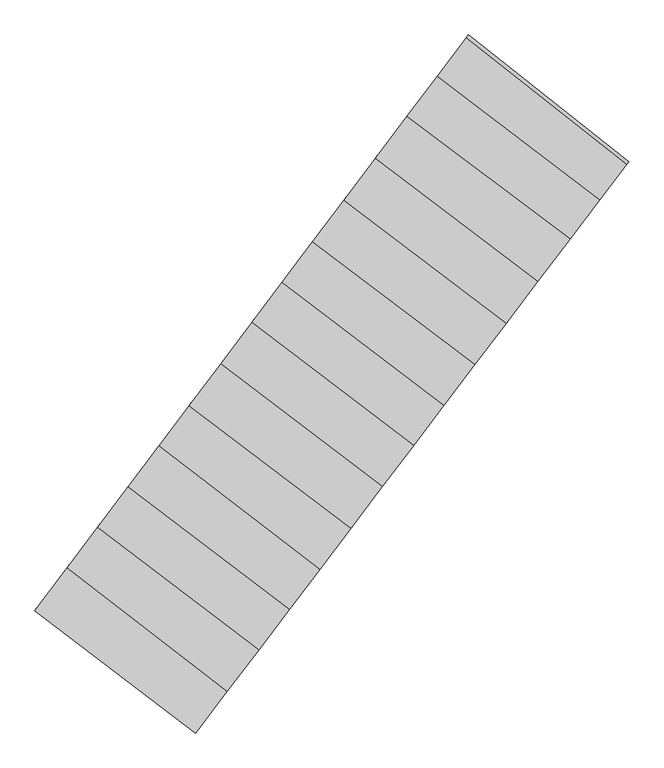
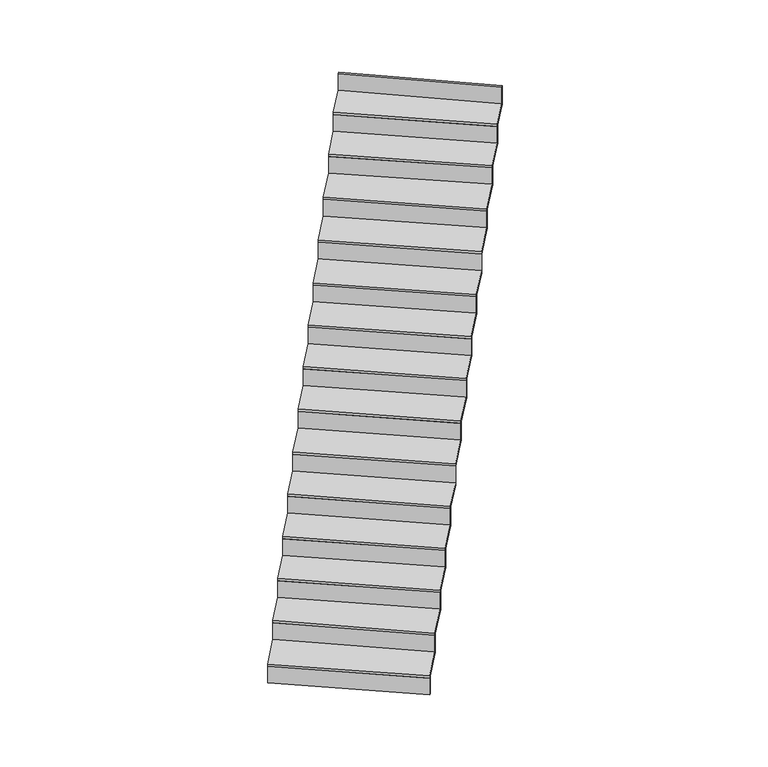
"""IFC4 building model written with IfcOpenShell, lengths in millimetres: stair flight geometry."""

from ifc_helpers import new_model, si_unit, frame, origin, place, context, project, spatial, polyline, outline, extrude, source, transform, mapped, element, save


def stair_flight_ab5ed9de(model_context):
    return source(origin(), model_context, "Body", "SweptSolid", [
        extrude(outline(polyline([(100072.588909, 16654.7585255), (100060.5027199, 16638.8235066), (99118.0756572, 17355.7144456), (99130.1120813, 17371.6873199), (100072.588909, 16654.7585255)])), frame((0.0, 0.0, -2416.5), z_axis=(0.0, 0.0, 1.0), x_axis=(1.0, 0.0, 0.0)), (0.0, 0.0, 1.0), 146.1864079),
        extrude(outline(polyline([(99308.2369278, 17608.066975), (100245.3138249, 16882.4874458), (100060.5027199, 16638.8235066), (99118.0756572, 17355.7144456), (99308.2369278, 17608.066975)])), frame((0.0, 0.0, -2270.3135921), z_axis=(0.0, 0.0, 1.0), x_axis=(1.0, 0.0, 0.0)), (0.0, 0.0, 1.0), 20.0),
        extrude(outline(polyline([(100257.4006033, 16898.4232417), (100245.3138249, 16882.4874458), (99308.2369278, 17608.066975), (99320.2742613, 17624.0410562), (100257.4006033, 16898.4232417)])), frame((0.0, 0.0, -2270.3135921), z_axis=(0.0, 0.0, 1.0), x_axis=(1.0, 0.0, 0.0)), (0.0, 0.0, 1.0), 166.1864079),
        extrude(outline(polyline([(99486.6968011, 17844.8912258), (100431.6563123, 17128.1704341), (100245.3138249, 16882.4874458), (99308.2369278, 17608.066975), (99486.6968011, 17844.8912258)])), frame((0.0, 0.0, -2104.1271841), z_axis=(0.0, 0.0, 1.0), x_axis=(1.0, 0.0, 0.0)), (0.0, 0.0, 1.0), 20.0),
        extrude(outline(polyline([(100443.7424894, 17144.1054372), (100431.6563123, 17128.1704341), (99486.6968011, 17844.8912258), (99498.7331604, 17860.864014), (100443.7424894, 17144.1054372)])), frame((0.0, 0.0, -2104.1271841), z_axis=(0.0, 0.0, 1.0), x_axis=(1.0, 0.0, 0.0)), (0.0, 0.0, 1.0), 166.1864079),
        extrude(outline(polyline([(99664.7957149, 18081.236467), (100610.4923676, 17363.9565777), (100431.6563123, 17128.1704341), (99486.6968011, 17844.8912258), (99664.7957149, 18081.236467)])), frame((0.0, 0.0, -1937.9407762), z_axis=(0.0, 0.0, 1.0), x_axis=(1.0, 0.0, 0.0)), (0.0, 0.0, 1.0), 20.0),
        extrude(outline(polyline([(100622.5785448, 17379.8915807), (100610.4923676, 17363.9565777), (99664.7957149, 18081.236467), (99676.8320741, 18097.2092553), (100622.5785448, 17379.8915807)])), frame((0.0, 0.0, -1937.9407762), z_axis=(0.0, 0.0, 1.0), x_axis=(1.0, 0.0, 0.0)), (0.0, 0.0, 1.0), 166.1864079),
        extrude(outline(polyline([(99846.0055109, 18321.7099884), (100789.2044471, 17599.5792654), (100610.4923676, 17363.9565777), (99664.7957149, 18081.236467), (99846.0055109, 18321.7099884)])), frame((0.0, 0.0, -1771.7543683), z_axis=(0.0, 0.0, 1.0), x_axis=(1.0, 0.0, 0.0)), (0.0, 0.0, 1.0), 20.0),
        extrude(outline(polyline([(100801.2907479, 17615.5144315), (100789.2044471, 17599.5792654), (99846.0055109, 18321.7099884), (99858.0421636, 18337.6831661), (100801.2907479, 17615.5144315)])), frame((0.0, 0.0, -1771.7543683), z_axis=(0.0, 0.0, 1.0), x_axis=(1.0, 0.0, 0.0)), (0.0, 0.0, 1.0), 166.1864079),
        extrude(outline(polyline([(100023.3207531, 18557.0152624), (100970.5013212, 17838.6098719), (100789.2044471, 17599.5792654), (99846.0055109, 18321.7099884), (100023.3207531, 18557.0152624)])), frame((0.0, 0.0, -1605.5679604), z_axis=(0.0, 0.0, 1.0), x_axis=(1.0, 0.0, 0.0)), (0.0, 0.0, 1.0), 20.0),
        extrude(outline(polyline([(100982.5874983, 17854.544875), (100970.5013212, 17838.6098719), (100023.3207531, 18557.0152624), (100035.3571123, 18572.9880506), (100982.5874983, 17854.544875)])), frame((0.0, 0.0, -1605.5679604), z_axis=(0.0, 0.0, 1.0), x_axis=(1.0, 0.0, 0.0)), (0.0, 0.0, 1.0), 166.1864079),
        extrude(outline(polyline([(100208.690135, 18803.0087407), (101156.6379368, 18084.0214287), (100970.5013212, 17838.6098719), (100023.3207531, 18557.0152624), (100208.690135, 18803.0087407)])), frame((0.0, 0.0, -1439.3815524), z_axis=(0.0, 0.0, 1.0), x_axis=(1.0, 0.0, 0.0)), (0.0, 0.0, 1.0), 20.0),
        extrude(outline(polyline([(101168.7241139, 18099.9564317), (101156.6379368, 18084.0214287), (100208.690135, 18803.0087407), (100220.7264942, 18818.981529), (101168.7241139, 18099.9564317)])), frame((0.0, 0.0, -1439.3815524), z_axis=(0.0, 0.0, 1.0), x_axis=(1.0, 0.0, 0.0)), (0.0, 0.0, 1.0), 166.1864079),
        extrude(outline(polyline([(100391.5686383, 19045.6967115), (101340.2733641, 18326.1352974), (101156.6379368, 18084.0214287), (100208.690135, 18803.0087407), (100391.5686383, 19045.6967115)])), frame((0.0, 0.0, -1273.1951445), z_axis=(0.0, 0.0, 1.0), x_axis=(1.0, 0.0, 0.0)), (0.0, 0.0, 1.0), 20.0),
        extrude(outline(polyline([(101352.3595412, 18342.0703005), (101340.2733641, 18326.1352974), (100391.5686383, 19045.6967115), (100403.6049976, 19061.6694998), (101352.3595412, 18342.0703005)])), frame((0.0, 0.0, -1273.1951445), z_axis=(0.0, 0.0, 1.0), x_axis=(1.0, 0.0, 0.0)), (0.0, 0.0, 1.0), 166.1864079),
        extrude(outline(polyline([(100567.3794172, 19279.0054953), (101516.8118142, 18558.8921666), (101340.2733641, 18326.1352974), (100391.5686383, 19045.6967115), (100567.3794172, 19279.0054953)])), frame((0.0, 0.0, -1107.0087366), z_axis=(0.0, 0.0, 1.0), x_axis=(1.0, 0.0, 0.0)), (0.0, 0.0, 1.0), 20.0),
        extrude(outline(polyline([(101528.8979913, 18574.8271696), (101516.8118142, 18558.8921666), (100567.3794172, 19279.0054953), (100579.4157765, 19294.9782836), (101528.8979913, 18574.8271696)])), frame((0.0, 0.0, -1107.0087366), z_axis=(0.0, 0.0, 1.0), x_axis=(1.0, 0.0, 0.0)), (0.0, 0.0, 1.0), 166.1864079),
        extrude(outline(polyline([(100745.6785243, 19515.6164021), (101698.1019419, 18797.9138783), (101516.8118142, 18558.8921666), (100567.3794172, 19279.0054953), (100745.6785243, 19515.6164021)])), frame((0.0, 0.0, -940.8223286), z_axis=(0.0, 0.0, 1.0), x_axis=(1.0, 0.0, 0.0)), (0.0, 0.0, 1.0), 20.0),
        extrude(outline(polyline([(101710.1881781, 18813.8489593), (101698.1019419, 18797.9138783), (100745.6785243, 19515.6164021), (100757.7148248, 19531.5891123), (101710.1881781, 18813.8489593)])), frame((0.0, 0.0, -940.8223286), z_axis=(0.0, 0.0, 1.0), x_axis=(1.0, 0.0, 0.0)), (0.0, 0.0, 1.0), 166.1864079),
        extrude(outline(polyline([(100930.2129531, 19760.5018602), (101881.1470981, 19039.2495049), (101698.1019419, 18797.9138783), (100745.6785243, 19515.6164021), (100930.2129531, 19760.5018602)])), frame((0.0, 0.0, -774.6359207), z_axis=(0.0, 0.0, 1.0), x_axis=(1.0, 0.0, 0.0)), (0.0, 0.0, 1.0), 20.0),
        extrude(outline(polyline([(101893.2332752, 19055.184508), (101881.1470981, 19039.2495049), (100930.2129531, 19760.5018602), (100942.2493124, 19776.4746485), (101893.2332752, 19055.184508)])), frame((0.0, 0.0, -774.6359207), z_axis=(0.0, 0.0, 1.0), x_axis=(1.0, 0.0, 0.0)), (0.0, 0.0, 1.0), 166.1864079),
        extrude(outline(polyline([(101115.4730734, 20006.3503436), (102067.1739998, 19284.5164096), (101881.1470981, 19039.2495049), (100930.2129531, 19760.5018602), (101115.4730734, 20006.3503436)])), frame((0.0, 0.0, -608.4495128), z_axis=(0.0, 0.0, 1.0), x_axis=(1.0, 0.0, 0.0)), (0.0, 0.0, 1.0), 20.0),
        extrude(outline(polyline([(102079.260177, 19300.4514127), (102067.1739998, 19284.5164096), (101115.4730734, 20006.3503436), (101127.5094327, 20022.3231318), (102079.260177, 19300.4514127)])), frame((0.0, 0.0, -608.4495128), z_axis=(0.0, 0.0, 1.0), x_axis=(1.0, 0.0, 0.0)), (0.0, 0.0, 1.0), 166.1864079),
        extrude(outline(polyline([(101300.0500389, 20251.2922497), (102257.442536, 19535.3756913), (102067.1739998, 19284.5164096), (101115.4730734, 20006.3503436), (101300.0500389, 20251.2922497)])), frame((0.0, 0.0, -442.2631049), z_axis=(0.0, 0.0, 1.0), x_axis=(1.0, 0.0, 0.0)), (0.0, 0.0, 1.0), 20.0),
        extrude(outline(polyline([(102269.5289943, 19551.3110651), (102257.442536, 19535.3756913), (101300.0500389, 20251.2922497), (101312.0864215, 20267.2650689), (102269.5289943, 19551.3110651)])), frame((0.0, 0.0, -442.2631049), z_axis=(0.0, 0.0, 1.0), x_axis=(1.0, 0.0, 0.0)), (0.0, 0.0, 1.0), 166.1864079),
        extrude(outline(polyline([(101476.7646173, 20485.8004159), (102429.9609095, 19762.8322961), (102257.442536, 19535.3756913), (101300.0500389, 20251.2922497), (101476.7646173, 20485.8004159)])), frame((0.0, 0.0, -276.0766969), z_axis=(0.0, 0.0, 1.0), x_axis=(1.0, 0.0, 0.0)), (0.0, 0.0, 1.0), 20.0),
        extrude(outline(polyline([(102442.0470866, 19778.7672992), (102429.9609095, 19762.8322961), (101476.7646173, 20485.8004159), (101488.8009766, 20501.7732042), (102442.0470866, 19778.7672992)])), frame((0.0, 0.0, -276.0766969), z_axis=(0.0, 0.0, 1.0), x_axis=(1.0, 0.0, 0.0)), (0.0, 0.0, 1.0), 166.1864079),
        extrude(outline(polyline([(102599.778244, 19986.7277199), (102587.6899017, 19970.7898622), (101647.4822945, 20712.3504254), (101659.5215224, 20728.3270205), (102599.778244, 19986.7277199)])), frame((0.0, 0.0, -109.890289), z_axis=(0.0, 0.0, 1.0), x_axis=(1.0, 0.0, 0.0)), (0.0, 0.0, 1.0), 166.1864079),
        extrude(outline(polyline([(101647.4822945, 20712.3504254), (102587.6899017, 19970.7898622), (102429.9609095, 19762.8322961), (101476.7646173, 20485.8004159), (101647.4822945, 20712.3504254)])), frame((0.0, 0.0, -109.890289), z_axis=(0.0, 0.0, 1.0), x_axis=(1.0, 0.0, 0.0)), (0.0, 0.0, 1.0), 20.0),
    ])


if __name__ == "__main__":
    model = new_model("IFC4")
    model_context = context("Model", 3, world=origin())
    ifc_project = project(units=[si_unit("LENGTHUNIT", "METRE", prefix="MILLI")], contexts=[model_context])
    site = spatial("IfcSite", under=ifc_project)
    building = spatial("IfcBuilding", under=site)
    placement = place(None, origin())
    stair_flight_shape = stair_flight_ab5ed9de(model_context)
    element("IfcStairFlight", 1, at=placement, inside=building, context=model_context, shape_type="MappedRepresentation", body=[
        mapped(stair_flight_shape, transform((0.0, 0.0, 0.0), x_axis=(1.0, 0.0, 0.0), y_axis=(0.0, 1.0, 0.0), z_axis=(0.0, 0.0, 1.0))),
    ])
    save(model, "model.ifc")
